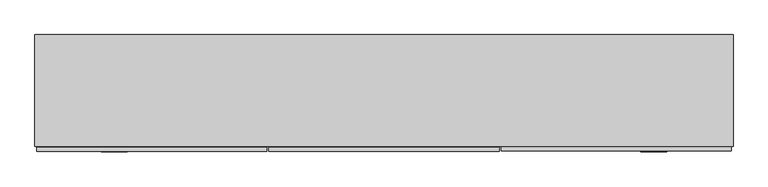
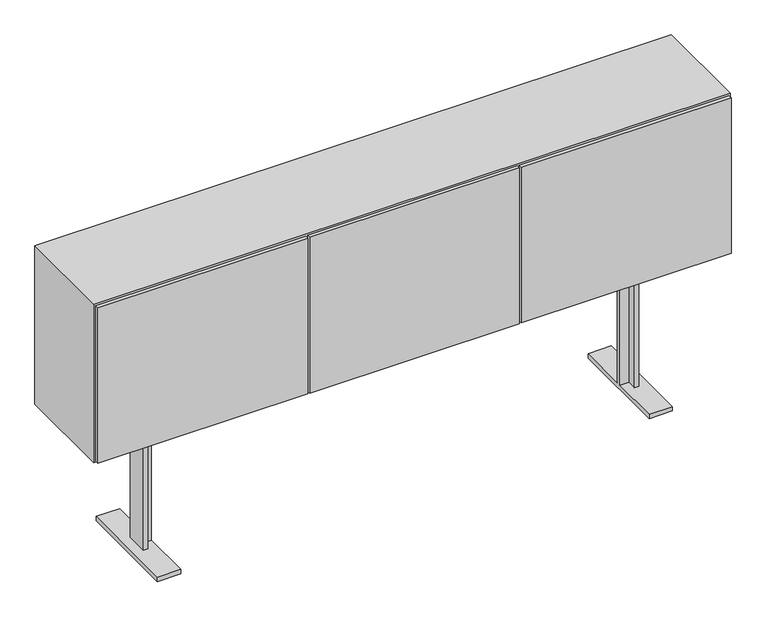
"""IFC4 building model written with IfcOpenShell, lengths in millimetres: furniture geometry."""

from ifc_helpers import new_model, si_unit, frame, origin, place, context, project, spatial, polyline, outline, extrude, faceted_brep, source, transform, mapped, element, save


def furniture_a78371ea(model_context):
    return source(origin(), model_context, "Body", "SolidModel", [
        extrude(outline(polyline([(444.9764987, 15.00124), (444.9764987, 0.0), (-444.9764987, 0.0), (-444.9764987, 15.00124), (444.9764987, 15.00124)])), frame((0.0, 0.0, 615.95), z_axis=(0.0, 0.0, 1.0), x_axis=(1.0, 0.0, 0.0)), (0.0, 0.0, 1.0), 698.5),
        extrude(outline(polyline([(-453.0720026, 14.0619413), (-453.0720026, -0.9392987), (-1343.025, -0.9392987), (-1343.025, 14.0619413), (-453.0720026, 14.0619413)])), frame((0.0, 0.0, 615.95), z_axis=(0.0, 0.0, 1.0), x_axis=(1.0, 0.0, 0.0)), (0.0, 0.0, 1.0), 698.5),
        extrude(outline(polyline([(1343.025, 15.9405387), (1343.025, 0.9392987), (453.0720026, 0.9392987), (453.0720026, 15.9405387), (1343.025, 15.9405387)])), frame((0.0, 0.0, 615.95), z_axis=(0.0, 0.0, 1.0), x_axis=(1.0, 0.0, 0.0)), (0.0, 0.0, 1.0), 698.5),
        extrude(outline(polyline([(1330.325, 19.0420174), (-1330.325, 19.0420174), (-1330.325, 431.8), (1330.325, 431.8), (1330.325, 19.0420174)])), frame((0.0, 0.0, 955.675), z_axis=(0.0, 0.0, 1.0), x_axis=(1.0, 0.0, 0.0)), (0.0, 0.0, 1.0), 19.05),
        extrude(outline(polyline([(459.3166667, 19.0739478), (440.2666667, 19.0739478), (440.2666667, 423.0566059), (459.3166667, 423.0566059), (459.3166667, 19.0739478)])), frame((0.0, 0.0, 628.65), z_axis=(0.0, 0.0, 1.0), x_axis=(1.0, 0.0, 0.0)), (0.0, 0.0, 1.0), 673.1),
        extrude(outline(polyline([(-440.2666667, 19.0739478), (-459.3166667, 19.0739478), (-459.3166667, 423.0566059), (-440.2666667, 423.0566059), (-440.2666667, 19.0739478)])), frame((0.0, 0.0, 628.65), z_axis=(0.0, 0.0, 1.0), x_axis=(1.0, 0.0, 0.0)), (0.0, 0.0, 1.0), 673.1),
        faceted_brep([(1349.375, 19.0420174, 1320.8), (-1349.375, 19.0420174, 1320.8), (-1349.375, 19.0420174, 609.6), (1349.375, 19.0420174, 609.6), (-1330.325, 19.0420174, 1301.75), (1330.325, 19.0420174, 1301.75), (1330.325, 19.0420174, 628.65), (-1330.325, 19.0420174, 628.65), (1349.375, 450.85, 1320.8), (1349.375, 450.85, 609.6), (-1349.375, 450.85, 609.6), (-1349.375, 450.85, 1320.8), (-1330.325, 431.8, 1301.75), (1330.325, 431.8, 1301.75), (1330.325, 431.8, 628.65), (-1330.325, 431.8, 628.65)], [[[0, 1, 2, 3], [4, 5, 6, 7]], [[8, 9, 10, 11]], [[1, 0, 8, 11]], [[2, 1, 11, 10]], [[3, 2, 10, 9]], [[0, 3, 9, 8]], [[5, 4, 12, 13]], [[6, 5, 13, 14]], [[7, 6, 14, 15]], [[4, 7, 15, 12]], [[13, 12, 15, 14]]]),
        faceted_brep([(-1050.8500108, 171.1108775, 609.6), (-1031.8000108, 171.1108775, 609.6), (-1031.8000108, 211.6109348, 609.6), (1031.8000108, 211.6109348, 609.6), (1031.8000108, 171.1108775, 609.6), (1050.8500108, 171.1108775, 609.6), (1050.8500108, 269.1160418, 609.6), (1031.8000108, 269.1160418, 609.6), (1031.8000108, 230.9134, 609.6), (-1031.8000108, 230.9134, 609.6), (-1031.8000108, 269.1160418, 609.6), (-1050.8500108, 269.1160418, 609.6), (-1050.8500108, 171.1108775, 19.8859728), (-1031.8000108, 171.1108775, 19.8859728), (-1031.8000108, 211.6109348, 19.8859728), (-993.3499595, 211.6109348, 558.8), (993.3499595, 211.6109348, 558.8), (993.3499595, 211.6109348, 19.8859728), (1031.8000108, 211.6109348, 19.8859728), (-993.3499595, 211.6109348, 19.8859728), (-993.3499595, 230.9134, 558.8), (-993.3499595, -3.1790836, 19.8859728), (-993.3499595, -3.1790836, 0.0), (-993.3499595, 445.4008393, 0.0), (-993.3499595, 445.4008393, 19.8859728), (-993.3499595, 230.9134, 19.8859728), (993.3499595, 230.9134, 558.8), (-1031.8000108, 230.9134, 19.8859728), (1031.8000108, 230.9134, 19.8859728), (993.3499595, 230.9134, 19.8859728), (-1031.8000108, 269.1160418, 19.8859728), (-1050.8500108, 269.1160418, 19.8859728), (1031.8000108, 171.1108775, 19.8859728), (1050.8500108, 171.1108775, 19.8859728), (993.3499595, 445.4008393, 19.8859728), (993.3499595, 445.4008393, 0.0), (993.3499595, -3.1790836, 0.0), (993.3499595, -3.1790836, 19.8859728), (1031.8000108, 269.1160418, 19.8859728), (1050.8500108, 269.1160418, 19.8859728), (-1092.3500213, 445.4008393, 19.8859728), (-1092.3500213, -3.1790836, 19.8859728), (-1092.3500213, -3.1790836, 0.0), (-1092.3500213, 445.4008393, 0.0), (1092.3500213, -3.1790836, 19.8859728), (1092.3500213, 445.4008393, 19.8859728), (1092.3500213, 445.4008393, 0.0), (1092.3500213, -3.1790836, 0.0)], [[[0, 1, 2, 3, 4, 5, 6, 7, 8, 9, 10, 11]], [[1, 0, 12, 13]], [[2, 1, 13, 14]], [[15, 16, 17, 18, 3, 2, 14, 19]], [[20, 15, 19, 21, 22, 23, 24, 25]], [[26, 20, 25, 27, 9, 8, 28, 29]], [[10, 9, 27, 30]], [[11, 10, 30, 31]], [[0, 11, 31, 12]], [[20, 26, 16, 15]], [[5, 4, 32, 33]], [[4, 3, 18, 32]], [[26, 29, 34, 35, 36, 37, 17, 16]], [[8, 7, 38, 28]], [[7, 6, 39, 38]], [[6, 5, 33, 39]], [[24, 40, 41, 21, 19, 14, 13, 12, 31, 30, 27, 25]], [[23, 22, 42, 43]], [[40, 24, 23, 43]], [[41, 40, 43, 42]], [[21, 41, 42, 22]], [[37, 44, 45, 34, 29, 28, 38, 39, 33, 32, 18, 17]], [[35, 46, 47, 36]], [[34, 45, 46, 35]], [[45, 44, 47, 46]], [[44, 37, 36, 47]]]),
    ])


if __name__ == "__main__":
    model = new_model("IFC4")
    model_context = context("Model", 3, world=origin())
    ifc_project = project(units=[si_unit("LENGTHUNIT", "METRE", prefix="MILLI")], contexts=[model_context])
    site = spatial("IfcSite", under=ifc_project)
    building = spatial("IfcBuilding", under=site)
    placement = place(None, origin())
    furniture_shape = furniture_a78371ea(model_context)
    element("IfcFurniture", 1, at=placement, inside=building, context=model_context, shape_type="MappedRepresentation", body=[
        mapped(furniture_shape, transform((0.0, 0.0, 0.0), x_axis=(1.0, 0.0, 0.0), y_axis=(0.0, 1.0, 0.0), z_axis=(0.0, 0.0, 1.0))),
    ])
    save(model, "model.ifc")
